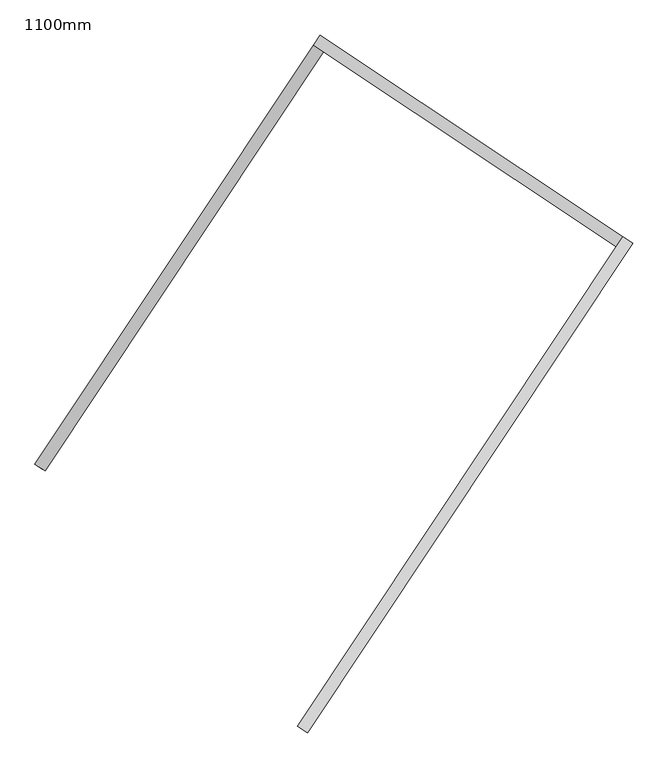
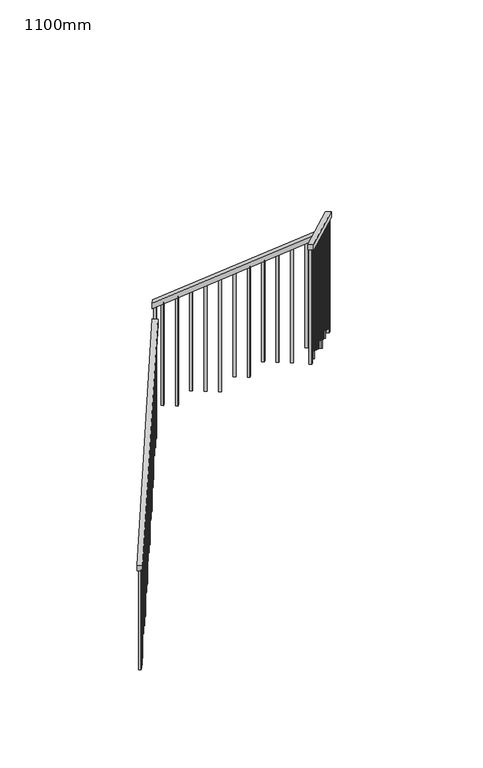
"""IFC4 building model written with IfcOpenShell, lengths in millimetres: railing geometry, 1100mm."""

from ifc_helpers import new_model, si_unit, frame, origin, place, context, project, spatial, polyline, outline, extrude, source, transform, mapped, element, save


def railing_1100mm_4ab3031d(model_context):
    return source(origin(), model_context, "Body", "SweptSolid", [
        extrude(outline(polyline([(27.7777778, -50.0000001), (0.0, 0.0), (2374.1723105, 0.0), (2401.9500884, -50.0), (27.7777778, -50.0000001)])), frame((-247190.6933465, 56781.2121067, 9889.4687214), z_axis=(-0.8325833518276944, 0.5538997763669539, 0.0), x_axis=(0.4841955197531717, 0.7278087949776983, 0.4856429311789338)), (0.0, 0.0, 1.0), 50.0),
        extrude(outline(polyline([(27.7777778, -50.0), (0.0, 0.0), (1716.8535239, 1e-07), (1744.6313017, -50.0), (27.7777778, -50.0)])), frame((-246082.7589182, 58536.8505839, 11208.6909437), z_axis=(0.5538997763679978, 0.832583351827, 0.0), x_axis=(0.7278087949775064, -0.4841955197543615, 0.48564293117803536)), (0.0, 0.0, 1.0), 50.0),
        extrude(outline(polyline([(-27.7777778, -50.0), (0.0, 0.0), (2774.5579271, 0.0), (2746.7801493, -50.0), (-27.7777778, -50.0)])), frame((-244763.8936674, 57719.4919783, 12265.8888889), z_axis=(-0.832583351827605, 0.5538997763670885, 0.0), x_axis=(-0.4841955197534931, -0.7278087949779237, 0.48564293117827556)), (0.0, 0.0, 1.0), 50.0),
        extrude(outline(polyline([(1260.6353881, -25.0), (106.9444445, -25.0), (93.0555556, 0.0), (1260.6353881, 0.0), (1260.6353881, -25.0)])), frame((-246075.9654337, 55769.8448487, 13607.3020548), z_axis=(-0.8325833518276039, 0.5538997763670903, 0.0), x_axis=(0.0, 0.0, -1.0000000000000002)), (0.0, 0.0, 1.0), 25.0),
        extrude(outline(polyline([(1191.1909436, -25.0), (106.9444444, -25.0), (93.0555555, 0.0), (1191.1909436, 0.0), (1191.1909436, -25.0)])), frame((-246006.7279617, 55873.9177677, 13537.8576103), z_axis=(-0.8325833518276039, 0.5538997763670903, 0.0), x_axis=(0.0, 0.0, -1.0000000000000002)), (0.0, 0.0, 1.0), 25.0),
        extrude(outline(polyline([(1288.4131659, -25.0), (106.9444445, -25.0), (93.0555556, 0.0), (1288.4131659, 0.0), (1288.4131659, -25.0)])), frame((-245937.4904896, 55977.9906866, 13468.4131659), z_axis=(-0.8325833518276039, 0.5538997763670903, 0.0), x_axis=(0.0, 0.0, -1.0000000000000002)), (0.0, 0.0, 1.0), 25.0),
        extrude(outline(polyline([(1218.9687214, -25.0), (106.9444444, -25.0), (93.0555555, 0.0), (1218.9687214, 0.0), (1218.9687214, -25.0)])), frame((-245868.2530176, 56082.0636056, 13398.9687214), z_axis=(-0.8325833518276039, 0.5538997763670903, 0.0), x_axis=(0.0, 0.0, -1.0000000000000002)), (0.0, 0.0, 1.0), 25.0),
        extrude(outline(polyline([(1149.524277, -25.0), (106.9444445, -25.0), (93.0555556, 0.0), (1149.524277, 0.0), (1149.524277, -25.0)])), frame((-245799.0155455, 56186.1365246, 13329.524277), z_axis=(-0.8325833518276039, 0.5538997763670903, 0.0), x_axis=(0.0, 0.0, -1.0000000000000002)), (0.0, 0.0, 1.0), 25.0),
        extrude(outline(polyline([(1246.7464992, -25.0), (106.9444444, -25.0), (93.0555555, 0.0), (1246.7464992, 0.0), (1246.7464992, -25.0)])), frame((-245729.7780735, 56290.2094436, 13260.0798325), z_axis=(-0.8325833518276039, 0.5538997763670903, 0.0), x_axis=(0.0, 0.0, -1.0000000000000002)), (0.0, 0.0, 1.0), 25.0),
        extrude(outline(polyline([(1177.3020548, -25.0), (106.9444444, -25.0), (93.0555555, 0.0), (1177.3020548, 0.0), (1177.3020548, -25.0)])), frame((-245660.5406014, 56394.2823626, 13190.6353881), z_axis=(-0.8325833518276039, 0.5538997763670903, 0.0), x_axis=(0.0, 0.0, -1.0000000000000002)), (0.0, 0.0, 1.0), 25.0),
        extrude(outline(polyline([(1274.524277, -25.0), (106.9444445, -25.0), (93.0555556, 0.0), (1274.524277, 0.0), (1274.524277, -25.0)])), frame((-245591.3031294, 56498.3552815, 13121.1909437), z_axis=(-0.8325833518276039, 0.5538997763670903, 0.0), x_axis=(0.0, 0.0, -1.0000000000000002)), (0.0, 0.0, 1.0), 25.0),
        extrude(outline(polyline([(1205.0798325, -25.0000001), (106.9444444, -25.0000001), (93.0555555, 0.0), (1205.0798325, 0.0), (1205.0798325, -25.0000001)])), frame((-245522.0656574, 56602.4282005, 13051.7464992), z_axis=(-0.8325833518276039, 0.5538997763670903, 0.0), x_axis=(0.0, 0.0, -1.0000000000000002)), (0.0, 0.0, 1.0), 25.0),
        extrude(outline(polyline([(1302.3020548, -25.0), (106.9444445, -25.0), (93.0555556, 0.0), (1302.3020548, 0.0), (1302.3020548, -25.0)])), frame((-245452.8281853, 56706.5011195, 12982.3020548), z_axis=(-0.8325833518276039, 0.5538997763670903, 0.0), x_axis=(0.0, 0.0, -1.0000000000000002)), (0.0, 0.0, 1.0), 25.0),
        extrude(outline(polyline([(1232.8576103, -25.0), (106.9444444, -25.0), (93.0555555, 0.0), (1232.8576103, 0.0), (1232.8576103, -25.0)])), frame((-245383.5907133, 56810.5740385, 12912.8576103), z_axis=(-0.8325833518276039, 0.5538997763670903, 0.0), x_axis=(0.0, 0.0, -1.0000000000000002)), (0.0, 0.0, 1.0), 25.0),
        extrude(outline(polyline([(1163.4131659, -24.9999999), (106.9444445, -24.9999999), (93.0555556, 0.0), (1163.4131659, 0.0), (1163.4131659, -24.9999999)])), frame((-245314.3532412, 56914.6469575, 12843.4131659), z_axis=(-0.8325833518276039, 0.5538997763670903, 0.0), x_axis=(0.0, 0.0, -1.0000000000000002)), (0.0, 0.0, 1.0), 25.0),
        extrude(outline(polyline([(1260.6353881, -25.0), (106.9444444, -25.0), (93.0555555, 0.0), (1260.6353881, 0.0), (1260.6353881, -25.0)])), frame((-245245.1157692, 57018.7198764, 12773.9687214), z_axis=(-0.8325833518276039, 0.5538997763670903, 0.0), x_axis=(0.0, 0.0, -1.0000000000000002)), (0.0, 0.0, 1.0), 25.0),
        extrude(outline(polyline([(1191.1909437, -25.0), (106.9444445, -25.0), (93.0555556, 0.0), (1191.1909437, 0.0), (1191.1909437, -25.0)])), frame((-245175.8782971, 57122.7927954, 12704.524277), z_axis=(-0.8325833518276039, 0.5538997763670903, 0.0), x_axis=(0.0, 0.0, -1.0000000000000002)), (0.0, 0.0, 1.0), 25.0),
        extrude(outline(polyline([(1288.4131658, -25.0), (106.9444444, -25.0), (93.0555555, 0.0), (1288.4131658, 0.0), (1288.4131658, -25.0)])), frame((-245106.6408251, 57226.8657144, 12635.0798325), z_axis=(-0.8325833518276039, 0.5538997763670903, 0.0), x_axis=(0.0, 0.0, -1.0000000000000002)), (0.0, 0.0, 1.0), 25.0),
        extrude(outline(polyline([(1218.9687214, -25.0), (106.9444444, -25.0), (93.0555556, 0.0), (1218.9687214, 0.0), (1218.9687214, -25.0)])), frame((-245037.403353, 57330.9386334, 12565.6353881), z_axis=(-0.8325833518276039, 0.5538997763670903, 0.0), x_axis=(0.0, 0.0, -1.0000000000000002)), (0.0, 0.0, 1.0), 25.0),
        extrude(outline(polyline([(1149.524277, -25.0), (106.9444445, -25.0), (93.0555556, 0.0), (1149.524277, 0.0), (1149.524277, -25.0)])), frame((-244968.165881, 57435.0115523, 12496.1909437), z_axis=(-0.8325833518276039, 0.5538997763670903, 0.0), x_axis=(0.0, 0.0, -1.0000000000000002)), (0.0, 0.0, 1.0), 25.0),
        extrude(outline(polyline([(1246.7464992, -25.0), (106.9444444, -25.0), (93.0555555, 0.0), (1246.7464992, 0.0), (1246.7464992, -25.0)])), frame((-244898.9284089, 57539.0844713, 12426.7464992), z_axis=(-0.8325833518276039, 0.5538997763670903, 0.0), x_axis=(0.0, 0.0, -1.0000000000000002)), (0.0, 0.0, 1.0), 25.0),
        extrude(outline(polyline([(1177.3020548, -25.0), (106.9444445, -25.0), (93.0555556, 0.0), (1177.3020548, 0.0), (1177.3020548, -25.0)])), frame((-244829.6909369, 57643.1573903, 12357.3020548), z_axis=(-0.8325833518276039, 0.5538997763670903, 0.0), x_axis=(0.0, 0.0, -1.0000000000000002)), (0.0, 0.0, 1.0), 25.0),
        extrude(outline(polyline([(106.9444445, 0.0), (1274.524277, 0.0), (1274.524277, -25.0), (93.0555556, -25.0), (106.9444445, 0.0)])), frame((-244868.5893108, 57744.1032, 12121.1909437), z_axis=(0.5538997763679924, 0.8325833518270036, 0.0), x_axis=(0.0, 0.0, -1.0)), (0.0, 0.0, 1.0), 25.0),
        extrude(outline(polyline([(106.9444444, 0.0), (1205.0798325, 0.0), (1205.0798325, -25.0), (93.0555555, -25.0), (106.9444444, 0.0)])), frame((-244972.6622298, 57813.3406721, 12051.7464992), z_axis=(0.5538997763679924, 0.8325833518270036, 0.0), x_axis=(0.0, 0.0, -1.0)), (0.0, 0.0, 1.0), 25.0),
        extrude(outline(polyline([(106.9444445, 0.0), (1302.3020548, 0.0), (1302.3020548, -25.0), (93.0555556, -25.0), (106.9444445, 0.0)])), frame((-245076.7351488, 57882.5781441, 11982.3020548), z_axis=(0.5538997763679924, 0.8325833518270036, 0.0), x_axis=(0.0, 0.0, -1.0)), (0.0, 0.0, 1.0), 25.0),
        extrude(outline(polyline([(106.9444444, 0.0), (1232.8576103, 0.0), (1232.8576103, -25.0), (93.0555555, -25.0), (106.9444444, 0.0)])), frame((-245180.8080678, 57951.8156162, 11912.8576103), z_axis=(0.5538997763679924, 0.8325833518270036, 0.0), x_axis=(0.0, 0.0, -1.0)), (0.0, 0.0, 1.0), 25.0),
        extrude(outline(polyline([(106.9444445, 0.0), (1163.4131659, 0.0), (1163.4131659, -25.0), (93.0555556, -25.0), (106.9444445, 0.0)])), frame((-245284.8809868, 58021.0530882, 11843.4131659), z_axis=(0.5538997763679924, 0.8325833518270036, 0.0), x_axis=(0.0, 0.0, -1.0)), (0.0, 0.0, 1.0), 25.0),
        extrude(outline(polyline([(106.9444444, 0.0), (1260.6353881, 0.0), (1260.6353881, -25.0), (93.0555555, -25.0), (106.9444444, 0.0)])), frame((-245388.9539057, 58090.2905603, 11773.9687214), z_axis=(0.5538997763679924, 0.8325833518270036, 0.0), x_axis=(0.0, 0.0, -1.0)), (0.0, 0.0, 1.0), 25.0),
        extrude(outline(polyline([(106.9444445, 0.0), (1191.1909437, 0.0), (1191.1909437, -25.0), (93.0555556, -25.0), (106.9444445, 0.0)])), frame((-245493.0268247, 58159.5280323, 11704.524277), z_axis=(0.5538997763679924, 0.8325833518270036, 0.0), x_axis=(0.0, 0.0, -1.0)), (0.0, 0.0, 1.0), 25.0),
        extrude(outline(polyline([(106.9444444, 0.0), (1288.4131658, 0.0), (1288.4131658, -25.0), (93.0555555, -25.0), (106.9444444, 0.0)])), frame((-245597.0997437, 58228.7655044, 11635.0798325), z_axis=(0.5538997763679924, 0.8325833518270036, 0.0), x_axis=(0.0, 0.0, -1.0)), (0.0, 0.0, 1.0), 25.0),
        extrude(outline(polyline([(106.9444444, 0.0), (1218.9687214, 0.0), (1218.9687214, -25.0), (93.0555556, -25.0), (106.9444444, 0.0)])), frame((-245701.1726627, 58298.0029764, 11565.6353881), z_axis=(0.5538997763679924, 0.8325833518270036, 0.0), x_axis=(0.0, 0.0, -1.0)), (0.0, 0.0, 1.0), 25.0),
        extrude(outline(polyline([(106.9444445, 0.0), (1149.524277, 0.0), (1149.524277, -25.0), (93.0555556, -25.0), (106.9444445, 0.0)])), frame((-245805.2455816, 58367.2404485, 11496.1909437), z_axis=(0.5538997763679924, 0.8325833518270036, 0.0), x_axis=(0.0, 0.0, -1.0)), (0.0, 0.0, 1.0), 25.0),
        extrude(outline(polyline([(106.9444444, 0.0), (1246.7464992, 0.0), (1246.7464992, -25.0), (93.0555555, -25.0), (106.9444444, 0.0)])), frame((-245909.3185006, 58436.4779205, 11426.7464992), z_axis=(0.5538997763679924, 0.8325833518270036, 0.0), x_axis=(0.0, 0.0, -1.0)), (0.0, 0.0, 1.0), 25.0),
        extrude(outline(polyline([(106.9444445, 0.0), (1177.3020548, 0.0), (1177.3020548, -25.0000001), (93.0555556, -25.0000001), (106.9444445, 0.0)])), frame((-246013.3914196, 58505.7153926, 11357.3020548), z_axis=(0.5538997763679924, 0.8325833518270036, 0.0), x_axis=(0.0, 0.0, -1.0)), (0.0, 0.0, 1.0), 25.0),
        extrude(outline(polyline([(106.9444445, 0.0), (1288.6353881, 0.0), (1288.6353881, -25.0), (93.0555556, -25.0), (106.9444445, 0.0)])), frame((-246065.6060968, 58494.9317251, 11135.3020548), z_axis=(-0.8325833518276953, 0.5538997763669528, 0.0), x_axis=(0.0, 0.0, -1.0)), (0.0, 0.0, 1.0), 25.0),
        extrude(outline(polyline([(106.9444444, 0.0), (1219.1909436, 0.0), (1219.1909436, -25.0), (93.0555555, -25.0), (106.9444444, 0.0)])), frame((-246134.8435689, 58390.8588061, 11065.8576103), z_axis=(-0.8325833518276953, 0.5538997763669528, 0.0), x_axis=(0.0, 0.0, -1.0)), (0.0, 0.0, 1.0), 25.0),
        extrude(outline(polyline([(106.9444445, 0.0), (1149.7464992, 0.0), (1149.7464992, -25.0), (93.0555556, -25.0), (106.9444445, 0.0)])), frame((-246204.0810409, 58286.7858872, 10996.4131659), z_axis=(-0.8325833518276953, 0.5538997763669528, 0.0), x_axis=(0.0, 0.0, -1.0)), (0.0, 0.0, 1.0), 25.0),
        extrude(outline(polyline([(106.9444444, 0.0), (1246.9687214, 0.0), (1246.9687214, -25.0), (93.0555555, -25.0), (106.9444444, 0.0)])), frame((-246273.318513, 58182.7129682, 10926.9687214), z_axis=(-0.8325833518276953, 0.5538997763669528, 0.0), x_axis=(0.0, 0.0, -1.0)), (0.0, 0.0, 1.0), 25.0),
        extrude(outline(polyline([(106.9444445, 0.0), (1177.524277, 0.0), (1177.524277, -25.0), (93.0555556, -25.0), (106.9444445, 0.0)])), frame((-246342.555985, 58078.6400492, 10857.524277), z_axis=(-0.8325833518276953, 0.5538997763669528, 0.0), x_axis=(0.0, 0.0, -1.0)), (0.0, 0.0, 1.0), 25.0),
        extrude(outline(polyline([(106.9444444, 0.0), (1274.7464992, 0.0), (1274.7464992, -25.0000001), (93.0555555, -25.0000001), (106.9444444, 0.0)])), frame((-246411.7934571, 57974.5671302, 10788.0798325), z_axis=(-0.8325833518276953, 0.5538997763669528, 0.0), x_axis=(0.0, 0.0, -1.0)), (0.0, 0.0, 1.0), 25.0),
        extrude(outline(polyline([(106.9444444, 0.0), (1205.3020548, 0.0), (1205.3020548, -25.0), (93.0555556, -25.0), (106.9444444, 0.0)])), frame((-246481.0309291, 57870.4942113, 10718.6353881), z_axis=(-0.8325833518276953, 0.5538997763669528, 0.0), x_axis=(0.0, 0.0, -1.0)), (0.0, 0.0, 1.0), 25.0),
        extrude(outline(polyline([(106.9444445, 0.0), (1302.524277, 0.0), (1302.524277, -25.0), (93.0555556, -25.0), (106.9444445, 0.0)])), frame((-246550.2684011, 57766.4212923, 10649.1909437), z_axis=(-0.8325833518276953, 0.5538997763669528, 0.0), x_axis=(0.0, 0.0, -1.0)), (0.0, 0.0, 1.0), 25.0),
        extrude(outline(polyline([(106.9444444, 0.0), (1233.0798325, 0.0), (1233.0798325, -25.0), (93.0555555, -25.0), (106.9444444, 0.0)])), frame((-246619.5058732, 57662.3483733, 10579.7464992), z_axis=(-0.8325833518276953, 0.5538997763669528, 0.0), x_axis=(0.0, 0.0, -1.0)), (0.0, 0.0, 1.0), 25.0),
        extrude(outline(polyline([(106.9444445, 0.0), (1163.6353881, 0.0), (1163.6353881, -25.0), (93.0555556, -25.0), (106.9444445, 0.0)])), frame((-246688.7433452, 57558.2754543, 10510.3020548), z_axis=(-0.8325833518276953, 0.5538997763669528, 0.0), x_axis=(0.0, 0.0, -1.0)), (0.0, 0.0, 1.0), 25.0),
        extrude(outline(polyline([(106.9444444, 0.0), (1260.8576103, 0.0), (1260.8576103, -25.0), (93.0555555, -25.0), (106.9444444, 0.0)])), frame((-246757.9808173, 57454.2025353, 10440.8576103), z_axis=(-0.8325833518276953, 0.5538997763669528, 0.0), x_axis=(0.0, 0.0, -1.0)), (0.0, 0.0, 1.0), 25.0),
        extrude(outline(polyline([(106.9444445, 0.0), (1191.4131659, 0.0), (1191.4131659, -25.0), (93.0555556, -25.0), (106.9444445, 0.0)])), frame((-246827.2182893, 57350.1296164, 10371.4131659), z_axis=(-0.8325833518276953, 0.5538997763669528, 0.0), x_axis=(0.0, 0.0, -1.0)), (0.0, 0.0, 1.0), 25.0),
        extrude(outline(polyline([(106.9444444, 0.0), (1288.6353881, 0.0), (1288.6353881, -25.0), (93.0555555, -25.0), (106.9444444, 0.0)])), frame((-246896.4557614, 57246.0566974, 10301.9687214), z_axis=(-0.8325833518276953, 0.5538997763669528, 0.0), x_axis=(0.0, 0.0, -1.0)), (0.0, 0.0, 1.0), 25.0),
        extrude(outline(polyline([(106.9444445, 0.0), (1219.1909437, 0.0), (1219.1909437, -25.0), (93.0555556, -25.0), (106.9444445, 0.0)])), frame((-246965.6932334, 57141.9837784, 10232.524277), z_axis=(-0.8325833518276953, 0.5538997763669528, 0.0), x_axis=(0.0, 0.0, -1.0)), (0.0, 0.0, 1.0), 25.0),
        extrude(outline(polyline([(106.9444444, 0.0), (1149.7464992, 0.0), (1149.7464992, -25.0), (93.0555555, -25.0), (106.9444444, 0.0)])), frame((-247034.9307055, 57037.9108594, 10163.0798325), z_axis=(-0.8325833518276953, 0.5538997763669528, 0.0), x_axis=(0.0, 0.0, -1.0)), (0.0, 0.0, 1.0), 25.0),
        extrude(outline(polyline([(106.9444444, 0.0), (1246.9687214, 0.0), (1246.9687214, -24.9999999), (93.0555556, -24.9999999), (106.9444444, 0.0)])), frame((-247104.1681775, 56933.8379405, 10093.6353881), z_axis=(-0.8325833518276953, 0.5538997763669528, 0.0), x_axis=(0.0, 0.0, -1.0)), (0.0, 0.0, 1.0), 25.0),
        extrude(outline(polyline([(106.9444445, 0.0), (1177.524277, 0.0), (1177.524277, -25.0000001), (93.0555556, -25.0000001), (106.9444445, 0.0)])), frame((-247173.4056496, 56829.7650215, 10024.1909437), z_axis=(-0.8325833518276953, 0.5538997763669528, 0.0), x_axis=(0.0, 0.0, -1.0)), (0.0, 0.0, 1.0), 25.0),
        extrude(outline(polyline([(1309.2464993, -25.0), (106.9444445, -25.0), (93.0555556, 0.0), (1309.2464993, 0.0), (1309.2464993, -25.0)])), frame((-244795.0722009, 57695.1938498, 12322.5798326), z_axis=(-0.8325833518276039, 0.5538997763670903, 0.0), x_axis=(0.0, 0.0, -1.0000000000000002)), (0.0, 0.0, 1.0), 25.0),
        extrude(outline(polyline([(106.9444445, 0.0), (1309.2464993, 0.0), (1309.2464993, -25.0), (93.0555556, -25.0), (106.9444445, 0.0)])), frame((-246065.4278791, 58540.3341286, 11322.5798326), z_axis=(0.5538997763679924, 0.8325833518270036, 0.0), x_axis=(0.0, 0.0, -1.0)), (0.0, 0.0, 1.0), 25.0),
        extrude(outline(polyline([(1302.524277, -25.0), (106.9444445, -25.0), (93.0555556, 0.0), (1302.524277, 0.0), (1302.524277, -25.0)])), frame((-246117.7294769, 55707.068064, 13649.1909437), z_axis=(-0.8325833518276039, 0.5538997763670903, 0.0), x_axis=(0.0, 0.0, -1.0000000000000002)), (0.0, 0.0, 1.0), 25.0),
        extrude(outline(polyline([(106.9444445, 0.0), (1149.7464992, 0.0), (1149.7464992, -25.0), (93.0555556, -25.0), (106.9444445, 0.0)])), frame((-247201.1006384, 56788.1358539, 9996.4131659), z_axis=(-0.8325833518276953, 0.5538997763669528, 0.0), x_axis=(0.0, 0.0, -1.0)), (0.0, 0.0, 1.0), 25.0),
    ])


if __name__ == "__main__":
    model = new_model("IFC4")
    model_context = context("Model", 3, world=origin())
    ifc_project = project(units=[si_unit("LENGTHUNIT", "METRE", prefix="MILLI")], contexts=[model_context])
    site = spatial("IfcSite", under=ifc_project)
    building = spatial("IfcBuilding", under=site)
    placement = place(None, origin())
    railing_1100mm_shape = railing_1100mm_4ab3031d(model_context)
    element("IfcRailing", 1, ObjectType="1100mm", at=placement, inside=building, context=model_context, shape_type="MappedRepresentation", body=[
        mapped(railing_1100mm_shape, transform((0.0, 0.0, 0.0), x_axis=(1.0, 0.0, 0.0), y_axis=(0.0, 1.0, 0.0), z_axis=(0.0, 0.0, 1.0))),
    ])
    save(model, "model.ifc")
